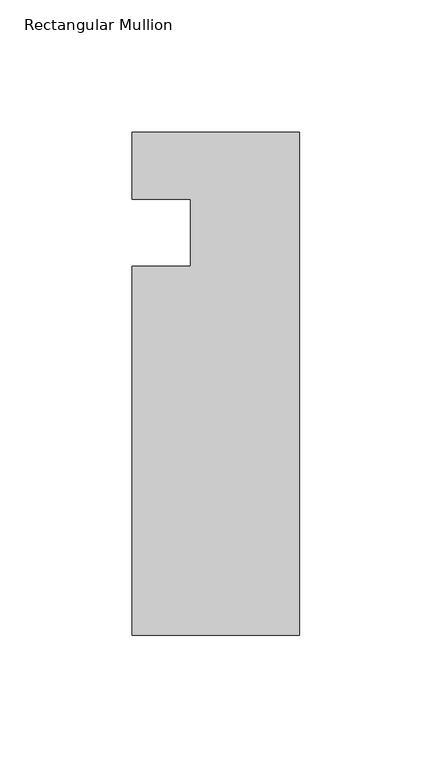
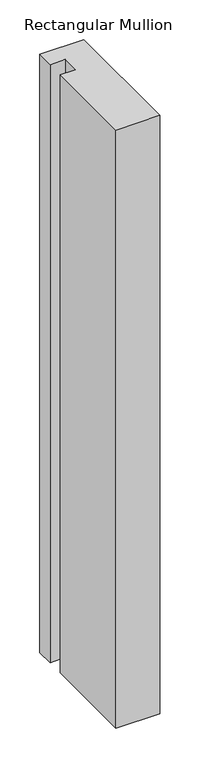
"""IFC4 building model written with IfcOpenShell, lengths in millimetres: member geometry, Rectangular Mullion."""

import ifcopenshell
import ifcopenshell.guid

model = None  # the IFC model being written
_history = None  # IfcOwnerHistory: only IFC2X3 demands one
_inside = {}  # id of a spatial element -> (the spatial element, [elements in it])
_under = {}  # id of a project, library or spatial element -> (it, [spatial elements below it])
_declared = {}  # id of a project -> (the project, [libraries it declares])
_typed = {}  # id of a type object -> (the type object, [elements of that type])
_made_of = {}  # id of a material, layer set ... -> (it, [elements and type objects made of it])


def new_model(schema):
    """Start an empty IFC model of exactly this schema.

    Asked for "IFC4X3", IfcOpenShell would pick the latest addendum, in which some entities
    have other attributes; the version numbers below select the first issue.
    IFC2X3 requires an IfcOwnerHistory on every rooted entity: one is made here for all.
    """
    global model, _history
    if schema == "IFC4X3":
        model = ifcopenshell.file(schema_version=(4, 3, 0, 0))
    else:
        model = ifcopenshell.file(schema=schema)
    _inside.clear()
    _under.clear()
    _declared.clear()
    _typed.clear()
    _made_of.clear()
    _history = None
    if model.schema == "IFC2X3":
        org = make("IfcOrganization", Name="unknown")
        user = make(
            "IfcPersonAndOrganization",
            ThePerson=make("IfcPerson", FamilyName="unknown"),
            TheOrganization=org,
        )
        app = make(
            "IfcApplication",
            ApplicationDeveloper=org,
            Version="unknown",
            ApplicationFullName="unknown",
            ApplicationIdentifier="unknown",
        )
        _history = make(
            "IfcOwnerHistory",
            OwningUser=user,
            OwningApplication=app,
            ChangeAction="ADDED",
            CreationDate=0,
        )
    return model


def make(cls, **values):
    """One entity of the class cls with the attributes given. An attribute that is None is left unset."""
    return model.create_entity(
        cls, **{name: value for name, value in values.items() if value is not None}
    )


def rooted(cls, **values):
    """An entity with a GlobalId (a new one), such as an element, a storey or a relation."""
    return make(cls, GlobalId=ifcopenshell.guid.new(), OwnerHistory=_history, **values)


def si_unit(unit_type, name, prefix=None):
    """IfcSIUnit, for example si_unit("LENGTHUNIT", "METRE", prefix="MILLI")."""
    return make("IfcSIUnit", UnitType=unit_type, Prefix=prefix, Name=name)


def assignment(units):
    """IfcUnitAssignment: the units of a project."""
    return None if units is None else make("IfcUnitAssignment", Units=units)


def point(xyz):
    """IfcCartesianPoint."""
    return None if xyz is None else make("IfcCartesianPoint", Coordinates=xyz)


def direction(xyz):
    """IfcDirection."""
    return None if xyz is None else make("IfcDirection", DirectionRatios=xyz)


def frame(location, z_axis=None, x_axis=None):
    """IfcAxis2Placement3D, a coordinate frame: its origin and axes. An axis left out is left unset."""
    return make(
        "IfcAxis2Placement3D",
        Location=point(location),
        Axis=direction(z_axis),
        RefDirection=direction(x_axis),
    )


def origin():
    """The frame at (0, 0, 0) with its axes left unset."""
    return frame((0.0, 0.0, 0.0))


def place(relative_to, where):
    """IfcLocalPlacement: puts the frame where relative to a parent placement (None: the world)."""
    return make(
        "IfcLocalPlacement", PlacementRelTo=relative_to, RelativePlacement=where
    )


def context(
    kind, dimensions, precision=None, world=None, true_north=None, identifier=None
):
    """IfcGeometricRepresentationContext, for example the 3D "Model" context."""
    return make(
        "IfcGeometricRepresentationContext",
        ContextIdentifier=identifier,
        ContextType=kind,
        CoordinateSpaceDimension=dimensions,
        Precision=precision,
        WorldCoordinateSystem=world,
        TrueNorth=true_north,
    )


def project(units=None, contexts=None):
    """IfcProject with its units and contexts."""
    return rooted(
        "IfcProject",
        Name="project",
        RepresentationContexts=contexts,
        UnitsInContext=assignment(units),
    )


def spatial(cls, under=None, at=None, **own):
    """A site, building, storey or space (cls), placed at a placement, below another one or the project."""
    s = rooted(cls, ObjectPlacement=at, **own)
    if under is not None:
        _under.setdefault(under.id(), (under, []))[1].append(s)
    return s


def polyline(points):
    """IfcPolyline through the points."""
    return make("IfcPolyline", Points=[point(p) for p in points])


def outline(outer, holes=None, kind="AREA"):
    """IfcArbitraryClosedProfileDef: a profile drawn as a closed curve; with holes, ...WithVoids."""
    if holes is None:
        return make("IfcArbitraryClosedProfileDef", ProfileType=kind, OuterCurve=outer)
    return make(
        "IfcArbitraryProfileDefWithVoids",
        ProfileType=kind,
        OuterCurve=outer,
        InnerCurves=holes,
    )


def extrude(swept, where, along, depth):
    """IfcExtrudedAreaSolid: the profile swept, set in the frame where, extruded along a direction by depth."""
    return make(
        "IfcExtrudedAreaSolid",
        SweptArea=swept,
        Position=where,
        ExtrudedDirection=direction(along),
        Depth=depth,
    )


def shape(context_of_items, identifier, shape_type, items):
    """IfcShapeRepresentation: the items that make up one representation, for example the "Body"."""
    return make(
        "IfcShapeRepresentation",
        ContextOfItems=context_of_items,
        RepresentationIdentifier=identifier,
        RepresentationType=shape_type,
        Items=items,
    )


def source(mapping_origin, context_of_items, identifier, shape_type, items):
    """IfcRepresentationMap: a shape defined once, which mapped items show again and again."""
    return make(
        "IfcRepresentationMap",
        MappingOrigin=mapping_origin,
        MappedRepresentation=shape(context_of_items, identifier, shape_type, items),
    )


def transform(
    local_origin,
    x_axis=None,
    y_axis=None,
    z_axis=None,
    scale=None,
    scale2=None,
    scale3=None,
    uniform=True,
):
    """IfcCartesianTransformationOperator3D, or its non-uniform kind. x_axis, y_axis, z_axis: its Axis1, 2, 3."""
    if uniform:
        return make(
            "IfcCartesianTransformationOperator3D",
            Axis1=direction(x_axis),
            Axis2=direction(y_axis),
            LocalOrigin=point(local_origin),
            Scale=scale,
            Axis3=direction(z_axis),
        )
    return make(
        "IfcCartesianTransformationOperator3DnonUniform",
        Axis1=direction(x_axis),
        Axis2=direction(y_axis),
        LocalOrigin=point(local_origin),
        Scale=scale,
        Axis3=direction(z_axis),
        Scale2=scale2,
        Scale3=scale3,
    )


def mapped(mapping_source, mapping_target):
    """IfcMappedItem: shows the shape of a source again, moved by a transform."""
    return make(
        "IfcMappedItem", MappingSource=mapping_source, MappingTarget=mapping_target
    )


def made_of(thing, what):
    """Note that an element or type object is made of a material, layer set ...; save() writes the relation."""
    if what is not None:
        _made_of.setdefault(what.id(), (what, []))[1].append(thing)
    return thing


def element(
    cls,
    number,
    at=None,
    inside=None,
    cuts=None,
    type_object=None,
    material=None,
    context=None,
    identifier="Body",
    shape_type=None,
    held_by="IfcProductDefinitionShape",
    body=None,
    shapes=None,
    **own,
):
    """One element of the class cls, such as IfcWall. Its Tag is "e" and its number.

    at: its placement. inside: the storey or other place that contains it. cuts: it is an
    opening in that element (IfcRelVoidsElement). A single representation is given by context,
    identifier, shape_type and body (its items); several are given by shapes. held_by: the class
    of the entity that holds the representations. save() writes the other relations.
    """
    e = rooted(cls, Tag="e%d" % number, ObjectPlacement=at, **own)
    if body is not None:
        shapes = [shape(context, identifier, shape_type, body)]
    if shapes is not None:
        e.Representation = make(held_by, Representations=shapes)
    if inside is not None:
        _inside.setdefault(inside.id(), (inside, []))[1].append(e)
    if cuts is not None:
        rooted(
            "IfcRelVoidsElement", RelatingBuildingElement=cuts, RelatedOpeningElement=e
        )
    if type_object is not None:
        _typed.setdefault(type_object.id(), (type_object, []))[1].append(e)
    return made_of(e, material)


def aggregate(whole, parts):
    """IfcRelAggregates: a whole, such as a stair, and the parts it consists of."""
    return rooted("IfcRelAggregates", RelatingObject=whole, RelatedObjects=parts)


def save(model, path):
    """Write the relations noted so far, then the file.

    IfcRelAggregates (storeys below a building ...), IfcRelContainedInSpatialStructure (elements
    in a storey), IfcRelDefinesByType, IfcRelAssociatesMaterial and IfcRelDeclares: one each for
    every whole, place, type object, material and project.
    """
    for whole, parts in _under.values():
        aggregate(whole, parts)
    for where, things in _inside.values():
        rooted(
            "IfcRelContainedInSpatialStructure",
            RelatedElements=things,
            RelatingStructure=where,
        )
    for kind, things in _typed.values():
        rooted("IfcRelDefinesByType", RelatedObjects=things, RelatingType=kind)
    for what, things in _made_of.values():
        rooted("IfcRelAssociatesMaterial", RelatedObjects=things, RelatingMaterial=what)
    for by, libraries in _declared.values():
        rooted("IfcRelDeclares", RelatingContext=by, RelatedDefinitions=libraries)
    model.write(path)


def rectangular_mullion_a42ae3cc(model_context):
    return source(origin(), model_context, "Body", "SweptSolid", [
        extrude(outline(polyline([(-63.5, -184.149995), (-63.5, -44.45), (-41.2751132, -44.45), (-41.2751132, -19.0203627), (-63.5, -19.0203627), (-63.5, 6.35), (0.0, 6.35), (0.0, -184.149995), (-63.5, -184.149995)])), frame((0.0, 0.0, -914.4), z_axis=(0.0, 0.0, 1.0), x_axis=(1.0, 0.0, 0.0)), (0.0, 0.0, 1.0), 914.4),
    ])


if __name__ == "__main__":
    model = new_model("IFC4")
    model_context = context("Model", 3, world=origin())
    ifc_project = project(units=[si_unit("LENGTHUNIT", "METRE", prefix="MILLI")], contexts=[model_context])
    site = spatial("IfcSite", under=ifc_project)
    building = spatial("IfcBuilding", under=site)
    placement = place(None, origin())
    rectangular_mullion_shape = rectangular_mullion_a42ae3cc(model_context)
    element("IfcMember", 1, ObjectType="Rectangular Mullion", at=placement, inside=building, context=model_context, shape_type="MappedRepresentation", body=[
        mapped(rectangular_mullion_shape, transform((0.0, 0.0, 0.0), x_axis=(1.0, 0.0, 0.0), y_axis=(0.0, 1.0, 0.0), z_axis=(0.0, 0.0, 1.0))),
    ])
    save(model, "model.ifc")
